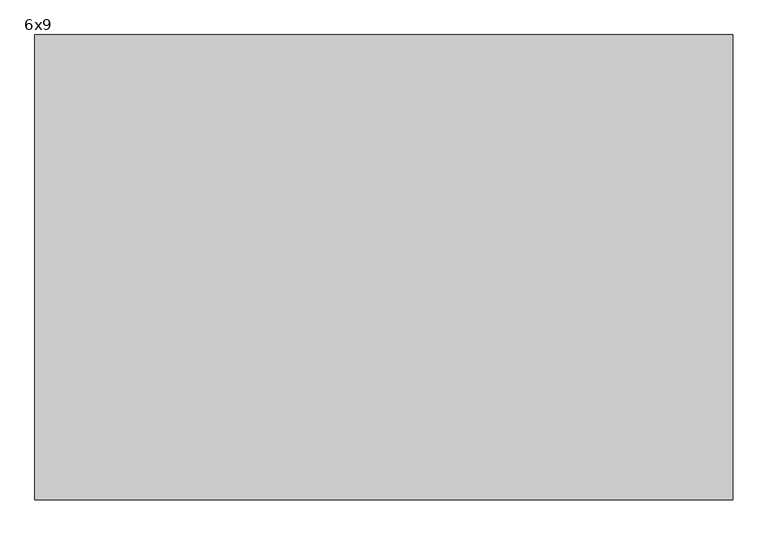
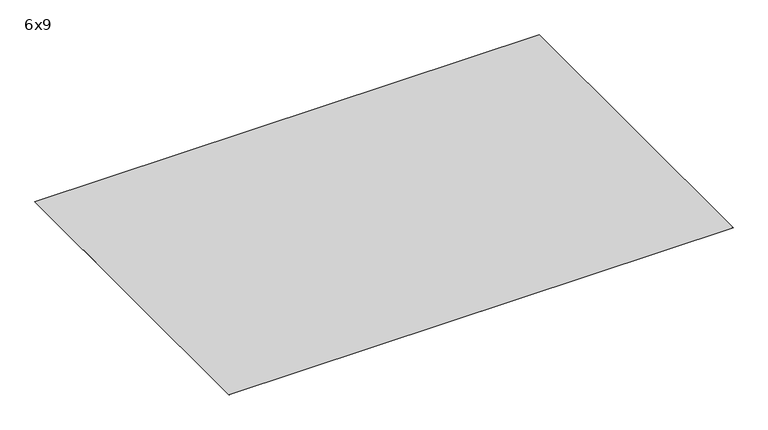
"""IFC4 building model written with IfcOpenShell, lengths in millimetres: furniture geometry, 6x9."""

from ifc_helpers import new_model, si_unit, origin, origin_with_axes, place, context, project, spatial, polyline, outline, extrude, source, transform, mapped, element, save


def furniture_6x9_0a777cf0(model_context):
    return source(origin(), model_context, "Body", "SweptSolid", [
        extrude(outline(polyline([(1010.4660917, 1260.1919098), (1010.4660917, -568.6080902), (-1732.7339083, -568.6080902), (-1732.7339083, 1260.1919098), (1010.4660917, 1260.1919098)])), origin_with_axes(), (0.0, 0.0, 1.0), 0.8128),
    ])


if __name__ == "__main__":
    model = new_model("IFC4")
    model_context = context("Model", 3, world=origin())
    ifc_project = project(units=[si_unit("LENGTHUNIT", "METRE", prefix="MILLI")], contexts=[model_context])
    site = spatial("IfcSite", under=ifc_project)
    building = spatial("IfcBuilding", under=site)
    placement = place(None, origin())
    furniture_6x9_shape = furniture_6x9_0a777cf0(model_context)
    element("IfcFurniture", 1, ObjectType="6x9", at=placement, inside=building, context=model_context, shape_type="MappedRepresentation", body=[
        mapped(furniture_6x9_shape, transform((0.0, 0.0, 0.0), x_axis=(1.0, 0.0, 0.0), y_axis=(0.0, 1.0, 0.0), z_axis=(0.0, 0.0, 1.0))),
    ])
    save(model, "model.ifc")
